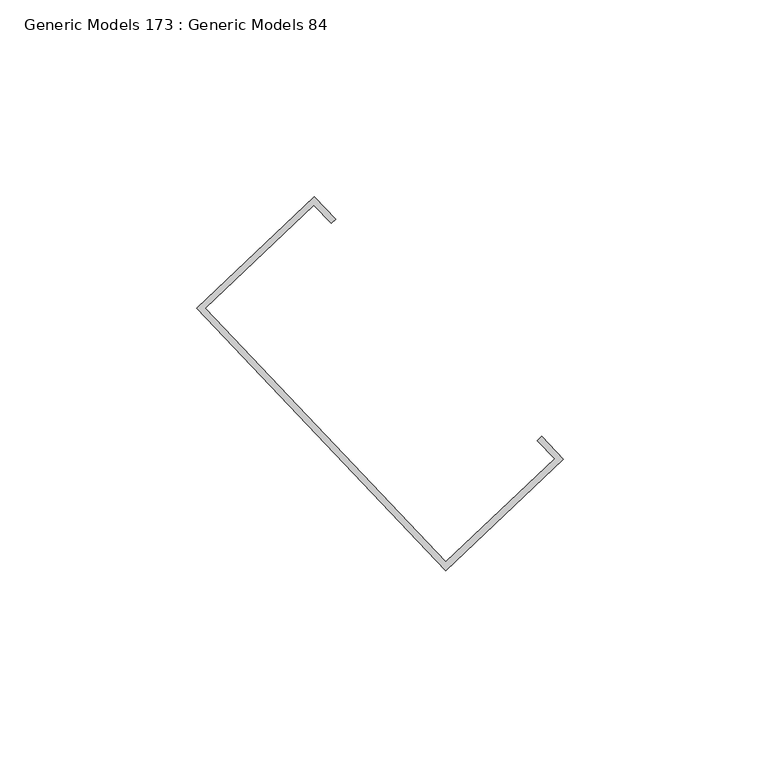
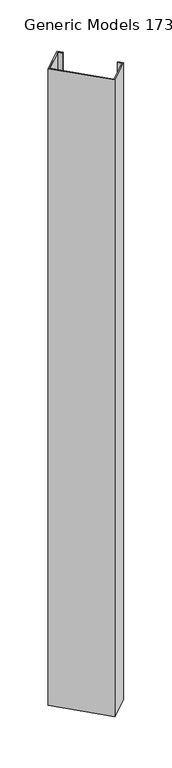
"""IFC4 building model written with IfcOpenShell, lengths in millimetres: proxy geometry, Generic Models 173 : Generic Models 84."""

from ifc_helpers import new_model, si_unit, frame, origin, place, context, project, spatial, polyline, outline, extrude, source, transform, mapped, element, save


def generic_models_173_generic_models_84_fe3d42de(model_context):
    return source(origin(), model_context, "Body", "SweptSolid", [
        extrude(outline(polyline([(102371.5465699, 55151.6605274), (102308.1663223, 55218.4493726), (102338.1061495, 55246.8612077), (102343.5699639, 55241.1035487), (102342.4184321, 55240.0107858), (102338.0473805, 55244.616913), (102310.410617, 55218.3906037), (102371.6053388, 55153.9048221), (102399.2421023, 55180.1311314), (102394.8710508, 55184.7372587), (102396.0225826, 55185.8300216), (102401.486397, 55180.0723625), (102371.5465699, 55151.6605274)])), frame((0.0, 0.0, 17118.33), z_axis=(0.0, 0.0, 1.0), x_axis=(1.0, 0.0, 0.0)), (0.0, 0.0, 1.0), 1030.0146644),
    ])


if __name__ == "__main__":
    model = new_model("IFC4")
    model_context = context("Model", 3, world=origin())
    ifc_project = project(units=[si_unit("LENGTHUNIT", "METRE", prefix="MILLI")], contexts=[model_context])
    site = spatial("IfcSite", under=ifc_project)
    building = spatial("IfcBuilding", under=site)
    placement = place(None, origin())
    generic_models_173_generic_models_84_shape = generic_models_173_generic_models_84_fe3d42de(model_context)
    element("IfcBuildingElementProxy", 1, Name="Generic Models 173 : Generic Models 84", ObjectType="Generic Models 173 : Generic Models 84", at=placement, inside=building, context=model_context, shape_type="MappedRepresentation", body=[
        mapped(generic_models_173_generic_models_84_shape, transform((0.0, 0.0, 0.0), x_axis=(1.0, 0.0, 0.0), y_axis=(0.0, 1.0, 0.0), z_axis=(0.0, 0.0, 1.0))),
    ])
    save(model, "model.ifc")
